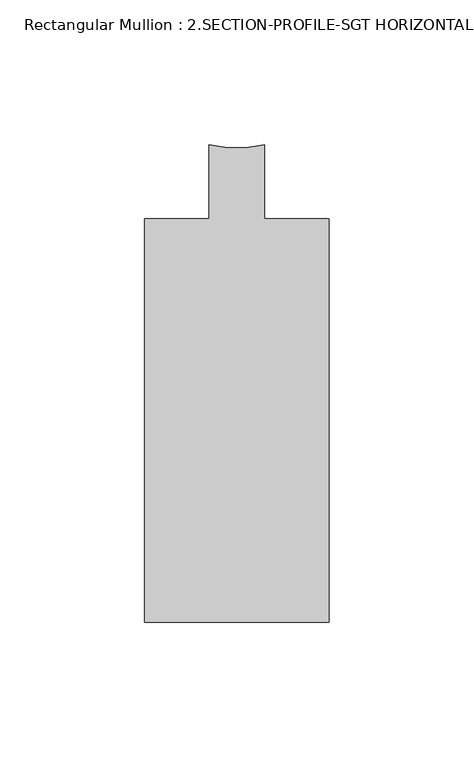
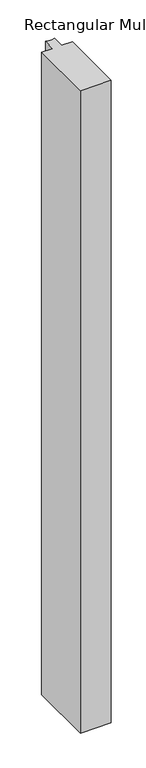
"""IFC4 building model written with IfcOpenShell, lengths in millimetres: member geometry, Rectangular Mullion : 2.SECTION-PROFILE-SGT HORIZONTAL 1 INCH INFILL DETAIL 2."""

from ifc_helpers import new_model, si_unit, point, frame, frame_2d, origin, place, context, project, spatial, polyline, circle_curve, trimmed, segment, composite_curve, outline, extrude, source, transform, mapped, element, save


def rectangular_mullion_2_section_profile_sgt_horizontal_1_inch_748d04df(model_context):
    return source(origin(), model_context, "Body", "SweptSolid", [
        extrude(outline(composite_curve([segment(polyline([(31.75, 54.117875), (31.75, -85.074125), (-31.75, -85.074125), (-31.75, 54.117875), (-9.5251132, 54.117875), (-9.5251132, 79.517875)]), True, "CONTINUOUS"), segment(trimmed(circle_curve(frame_2d((0.0, 120.2134593)), 41.7954347), [point((-9.5251132, 79.517875))], [point((9.5251132, 79.517875))], True, "CARTESIAN"), True, "CONTINUOUS"), segment(polyline([(9.5251132, 79.517875), (9.5251132, 54.117875), (31.75, 54.117875)]), True, "CONTINUOUS")], self_intersect=False)), frame((0.0, 0.0, -1409.4831251), z_axis=(0.0, 0.0, 1.0), x_axis=(1.0, 0.0, 0.0)), (0.0, 0.0, 1.0), 1409.4831251),
    ])


if __name__ == "__main__":
    model = new_model("IFC4")
    model_context = context("Model", 3, world=origin())
    ifc_project = project(units=[si_unit("LENGTHUNIT", "METRE", prefix="MILLI")], contexts=[model_context])
    site = spatial("IfcSite", under=ifc_project)
    building = spatial("IfcBuilding", under=site)
    placement = place(None, origin())
    rectangular_mullion_2_section_profile_sgt_horizontal_1_inch_shape = rectangular_mullion_2_section_profile_sgt_horizontal_1_inch_748d04df(model_context)
    element("IfcMember", 1, ObjectType="Rectangular Mullion : 2.SECTION-PROFILE-SGT HORIZONTAL 1 INCH INFILL DETAIL 2", at=placement, inside=building, context=model_context, shape_type="MappedRepresentation", body=[
        mapped(rectangular_mullion_2_section_profile_sgt_horizontal_1_inch_shape, transform((0.0, 0.0, 0.0), x_axis=(1.0, 0.0, 0.0), y_axis=(0.0, 1.0, 0.0), z_axis=(0.0, 0.0, 1.0))),
    ])
    save(model, "model.ifc")
